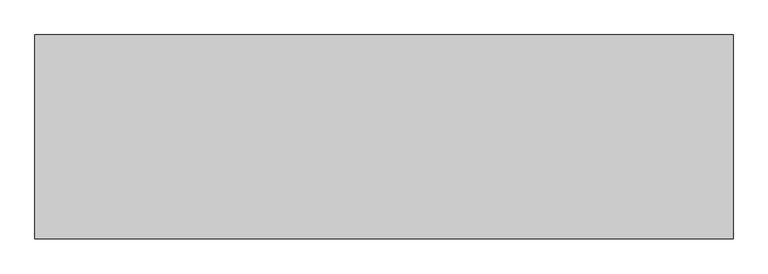
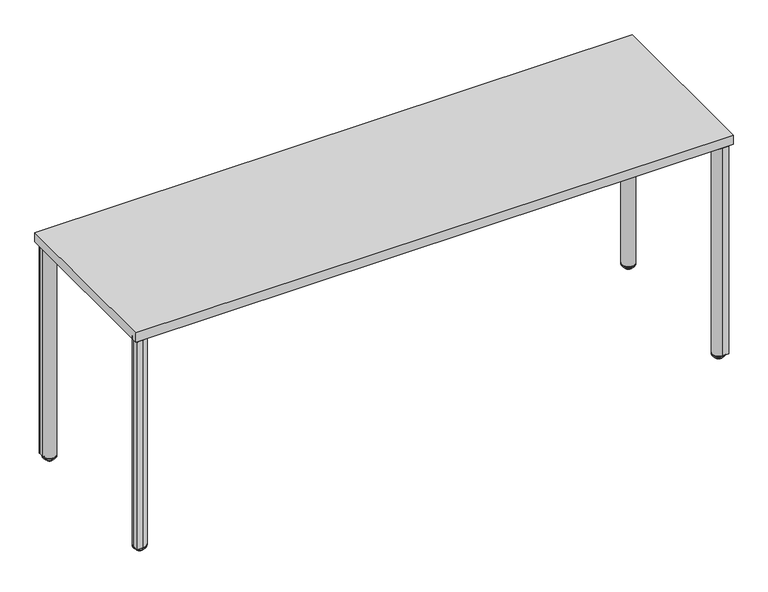
"""IFC4 building model written with IfcOpenShell, lengths in millimetres: furniture geometry."""

from ifc_helpers import new_model, si_unit, point, frame, frame_2d, origin, place, context, project, spatial, polyline, circle_curve, ellipse_curve, trimmed, segment, composite_curve, outline, extrude, source, transform, mapped, element, save
from ifc_brep_helpers import plane_surface, cylinder_surface, revolved_surface, advanced_brep


def furniture_3ee4077c(model_context):
    return source(origin(), model_context, "Body", "SolidModel", [
        extrude(outline(composite_curve([segment(polyline([(1682.556847, -479.9277503), (1675.9453628, -404.358219)]), True, "CONTINUOUS"), segment(trimmed(circle_curve(frame_2d((1694.9228716, -402.6979004)), 19.05), [point((1675.9453628, -404.358219))], [point((1696.5831903, -383.7203915))], False, "CARTESIAN"), True, "CONTINUOUS"), segment(polyline([(1696.5831903, -383.7203915), (1774.2735089, -390.5174208)]), True, "CONTINUOUS"), segment(trimmed(circle_curve(frame_2d((1772.3818948, -412.1386457)), 21.7038146), [point((1774.2735089, -390.5174208))], [point((1787.7288082, -396.7917301))], False, "CARTESIAN"), True, "CONTINUOUS"), segment(polyline([(1787.7288082, -396.7917301), (1803.3562804, -412.4192001)]), True, "CONTINUOUS"), segment(trimmed(circle_curve(frame_2d((1782.3913512, -433.3841324)), 29.6488894), [point((1803.3562804, -412.4192001))], [point((1811.9274176, -430.8000615))], False, "CARTESIAN"), True, "CONTINUOUS"), segment(polyline([(1811.9274176, -430.8000615), (1818.3747885, -504.493852), (1818.3747885, -522.7148941)]), True, "CONTINUOUS"), segment(trimmed(circle_curve(frame_2d((1814.9398642, -522.7148941)), 3.4349243), [point((1818.3747885, -522.7148941))], [point((1814.9398642, -526.1498184))], False, "CARTESIAN"), True, "CONTINUOUS"), segment(polyline([(1814.9398642, -526.1498184), (1796.7188297, -526.1498184), (1723.7868621, -519.7690978)]), True, "CONTINUOUS"), segment(trimmed(circle_curve(frame_2d((1726.554057, -488.1399162)), 31.75), [point((1723.7868621, -519.7690978))], [point((1704.1034135, -510.5905533))], False, "CARTESIAN"), True, "CONTINUOUS"), segment(polyline([(1704.1034135, -510.5905533), (1690.5220514, -497.0091873)]), True, "CONTINUOUS"), segment(trimmed(circle_curve(frame_2d((1710.0048889, -477.5263553)), 27.5528892), [point((1690.5220514, -497.0091873))], [point((1682.556847, -479.9277503))], False, "CARTESIAN"), True, "CONTINUOUS")], self_intersect=False)), frame((0.0, 0.0, 686.384194), z_axis=(0.0, 0.0, 1.0), x_axis=(1.0, 0.0, 0.0)), (0.0, 0.0, 1.0), 7.924807),
        extrude(outline(composite_curve([segment(trimmed(circle_curve(frame_2d((115.624494, -477.5263553)), 27.5528892), [point((143.0725359, -479.9277503))], [point((135.1073315, -497.0091873))], False, "CARTESIAN"), True, "CONTINUOUS"), segment(polyline([(135.1073315, -497.0091873), (121.5259694, -510.5905533)]), True, "CONTINUOUS"), segment(trimmed(circle_curve(frame_2d((99.0753259, -488.1399162)), 31.75), [point((121.5259694, -510.5905533))], [point((101.8425208, -519.7690978))], False, "CARTESIAN"), True, "CONTINUOUS"), segment(polyline([(101.8425208, -519.7690978), (28.9105532, -526.1498184), (10.6895187, -526.1498184)]), True, "CONTINUOUS"), segment(trimmed(circle_curve(frame_2d((10.6895187, -522.7148941)), 3.4349243), [point((10.6895187, -526.1498184))], [point((7.2545944, -522.7148941))], False, "CARTESIAN"), True, "CONTINUOUS"), segment(polyline([(7.2545944, -522.7148941), (7.2545944, -504.493852), (13.7019653, -430.8000615)]), True, "CONTINUOUS"), segment(trimmed(circle_curve(frame_2d((43.2380317, -433.3841324)), 29.6488894), [point((13.7019653, -430.8000615))], [point((22.2731025, -412.4192001))], False, "CARTESIAN"), True, "CONTINUOUS"), segment(polyline([(22.2731025, -412.4192001), (37.9005747, -396.7917301)]), True, "CONTINUOUS"), segment(trimmed(circle_curve(frame_2d((53.2474881, -412.1386457)), 21.7038146), [point((37.9005747, -396.7917301))], [point((51.355874, -390.5174208))], False, "CARTESIAN"), True, "CONTINUOUS"), segment(polyline([(51.355874, -390.5174208), (129.0461926, -383.7203915)]), True, "CONTINUOUS"), segment(trimmed(circle_curve(frame_2d((130.7065113, -402.6979004)), 19.05), [point((129.0461926, -383.7203915))], [point((149.6840201, -404.358219))], False, "CARTESIAN"), True, "CONTINUOUS"), segment(polyline([(149.6840201, -404.358219), (143.0725359, -479.9277503)]), True, "CONTINUOUS")], self_intersect=False)), frame((0.0, 0.0, 686.384194), z_axis=(0.0, 0.0, 1.0), x_axis=(1.0, 0.0, 0.0)), (0.0, 0.0, 1.0), 7.924807),
        extrude(outline(composite_curve([segment(trimmed(circle_curve(frame_2d((1710.0048889, -55.8736689)), 27.5528892), [point((1682.556847, -53.4722739))], [point((1690.5220514, -36.3908369))], False, "CARTESIAN"), True, "CONTINUOUS"), segment(polyline([(1690.5220514, -36.3908369), (1704.1034135, -22.8094709)]), True, "CONTINUOUS"), segment(trimmed(circle_curve(frame_2d((1726.554057, -45.260108)), 31.75), [point((1704.1034135, -22.8094709))], [point((1723.7868621, -13.6309264))], False, "CARTESIAN"), True, "CONTINUOUS"), segment(polyline([(1723.7868621, -13.6309264), (1796.7188297, -7.2502058), (1814.9398642, -7.2502058)]), True, "CONTINUOUS"), segment(trimmed(circle_curve(frame_2d((1814.9398642, -10.6851301)), 3.4349243), [point((1814.9398642, -7.2502058))], [point((1818.3747885, -10.6851301))], False, "CARTESIAN"), True, "CONTINUOUS"), segment(polyline([(1818.3747885, -10.6851301), (1818.3747885, -28.9061722), (1811.9274176, -102.5999627)]), True, "CONTINUOUS"), segment(trimmed(circle_curve(frame_2d((1782.3913512, -100.0158919)), 29.6488894), [point((1811.9274176, -102.5999627))], [point((1803.3562804, -120.9808241))], False, "CARTESIAN"), True, "CONTINUOUS"), segment(polyline([(1803.3562804, -120.9808241), (1787.7288082, -136.6082941)]), True, "CONTINUOUS"), segment(trimmed(circle_curve(frame_2d((1772.3818948, -121.2613785)), 21.7038146), [point((1787.7288082, -136.6082941))], [point((1774.2735089, -142.8826034))], False, "CARTESIAN"), True, "CONTINUOUS"), segment(polyline([(1774.2735089, -142.8826034), (1696.5831903, -149.6796327)]), True, "CONTINUOUS"), segment(trimmed(circle_curve(frame_2d((1694.9228716, -130.7021238)), 19.05), [point((1696.5831903, -149.6796327))], [point((1675.9453628, -129.0418052))], False, "CARTESIAN"), True, "CONTINUOUS"), segment(polyline([(1675.9453628, -129.0418052), (1682.556847, -53.4722739)]), True, "CONTINUOUS")], self_intersect=False)), frame((0.0, 0.0, 686.384194), z_axis=(0.0, 0.0, 1.0), x_axis=(1.0, 0.0, 0.0)), (0.0, 0.0, 1.0), 7.924807),
        extrude(outline(composite_curve([segment(polyline([(143.0725359, -53.4722739), (149.6840201, -129.0418052)]), True, "CONTINUOUS"), segment(trimmed(circle_curve(frame_2d((130.7065113, -130.7021238)), 19.05), [point((149.6840201, -129.0418052))], [point((129.0461926, -149.6796327))], False, "CARTESIAN"), True, "CONTINUOUS"), segment(polyline([(129.0461926, -149.6796327), (51.355874, -142.8826034)]), True, "CONTINUOUS"), segment(trimmed(circle_curve(frame_2d((53.2474881, -121.2613785)), 21.7038146), [point((51.355874, -142.8826034))], [point((37.9005747, -136.6082941))], False, "CARTESIAN"), True, "CONTINUOUS"), segment(polyline([(37.9005747, -136.6082941), (22.2731025, -120.9808241)]), True, "CONTINUOUS"), segment(trimmed(circle_curve(frame_2d((43.2380317, -100.0158919)), 29.6488894), [point((22.2731025, -120.9808241))], [point((13.7019653, -102.5999627))], False, "CARTESIAN"), True, "CONTINUOUS"), segment(polyline([(13.7019653, -102.5999627), (7.2545944, -28.9061722), (7.2545944, -10.6851301)]), True, "CONTINUOUS"), segment(trimmed(circle_curve(frame_2d((10.6895187, -10.6851301)), 3.4349243), [point((7.2545944, -10.6851301))], [point((10.6895187, -7.2502058))], False, "CARTESIAN"), True, "CONTINUOUS"), segment(polyline([(10.6895187, -7.2502058), (28.9105532, -7.2502058), (101.8425208, -13.6309264)]), True, "CONTINUOUS"), segment(trimmed(circle_curve(frame_2d((99.0753259, -45.260108)), 31.75), [point((101.8425208, -13.6309264))], [point((121.5259694, -22.8094709))], False, "CARTESIAN"), True, "CONTINUOUS"), segment(polyline([(121.5259694, -22.8094709), (135.1073315, -36.3908369)]), True, "CONTINUOUS"), segment(trimmed(circle_curve(frame_2d((115.624494, -55.8736689)), 27.5528892), [point((135.1073315, -36.3908369))], [point((143.0725359, -53.4722739))], False, "CARTESIAN"), True, "CONTINUOUS")], self_intersect=False)), frame((0.0, 0.0, 686.384194), z_axis=(0.0, 0.0, 1.0), x_axis=(1.0, 0.0, 0.0)), (0.0, 0.0, 1.0), 7.924807),
        extrude(outline(composite_curve([segment(trimmed(circle_curve(frame_2d((-246.152939, 691.6465284)), 2.6624725), [point((-248.7754655, 692.1060009))], [point((-246.152939, 694.309001))], False, "CARTESIAN"), True, "CONTINUOUS"), segment(polyline([(-246.152939, 694.309001), (-232.4891103, 694.309001), (-232.4891103, 693.0949036), (-246.277448, 693.0949036)]), True, "CONTINUOUS"), segment(trimmed(circle_curve(frame_2d((-246.277448, 691.7947593)), 1.3001443), [point((-246.277448, 693.0949036))], [point((-247.558086, 692.0191281))], True, "CARTESIAN"), True, "CONTINUOUS"), segment(polyline([(-247.558086, 692.0191281), (-252.0117041, 666.5990458)]), True, "CONTINUOUS"), segment(trimmed(circle_curve(frame_2d((-258.2664342, 667.6948793)), 6.35), [point((-252.0117041, 666.5990458))], [point((-258.2664342, 661.3448793))], False, "CARTESIAN"), True, "CONTINUOUS"), segment(polyline([(-258.2664342, 661.3448793), (-274.8021205, 661.3448793)]), True, "CONTINUOUS"), segment(trimmed(circle_curve(frame_2d((-274.8021205, 667.9754958)), 6.6306164), [point((-274.8021205, 661.3448793))], [point((-281.3332585, 666.8312447))], False, "CARTESIAN"), True, "CONTINUOUS"), segment(polyline([(-281.3332585, 666.8312447), (-285.7344623, 691.9523647)]), True, "CONTINUOUS"), segment(trimmed(circle_curve(frame_2d((-287.0945757, 691.7140737)), 1.3808298), [point((-285.7344623, 691.9523647))], [point((-287.0945757, 693.0949036))], True, "CARTESIAN"), True, "CONTINUOUS"), segment(polyline([(-287.0945757, 693.0949036), (-300.8151108, 693.0949036), (-300.8151108, 694.309001), (-287.0838856, 694.309001)]), True, "CONTINUOUS"), segment(trimmed(circle_curve(frame_2d((-287.0838856, 691.7267885)), 2.5822125), [point((-287.0838856, 694.309001))], [point((-284.5404138, 692.1724031))], False, "CARTESIAN"), True, "CONTINUOUS"), segment(polyline([(-284.5404138, 692.1724031), (-280.1677596, 667.2142384)]), True, "CONTINUOUS"), segment(trimmed(circle_curve(frame_2d((-274.6259929, 668.1851523)), 5.6261756), [point((-280.1677596, 667.2142384))], [point((-274.6259929, 662.5589767))], True, "CARTESIAN"), True, "CONTINUOUS"), segment(polyline([(-274.6259929, 662.5589767), (-258.5188108, 662.5589767)]), True, "CONTINUOUS"), segment(trimmed(circle_curve(frame_2d((-258.5188108, 667.9952626)), 5.4362859), [point((-258.5188108, 662.5589767))], [point((-253.1640875, 667.0571033))], True, "CARTESIAN"), True, "CONTINUOUS"), segment(polyline([(-253.1640875, 667.0571033), (-248.7754655, 692.1060009)]), True, "CONTINUOUS")], self_intersect=False)), frame((190.5601963, 0.0, 0.0), z_axis=(1.0, 0.0, 0.0), x_axis=(0.0, 1.0, 0.0)), (0.0, 0.0, 1.0), 1443.6123182),
        advanced_brep(
        [(1797.6248196, -485.4197975, 12.8144714), (1797.6248196, -525.3711213, 12.8144714), (1797.6248196, -520.426826, 7.8701761), (1797.6248196, -490.3640928, 7.8701761), (1797.6248196, -519.4011418, 7.8701761), (1797.6248196, -491.389777, 7.8701761), (1797.6248196, -519.4011418, 7.0593297), (1797.6248196, -491.389777, 7.0593297), (1797.6248196, -517.5595987, 2.623811), (1797.6248196, -493.23132, 2.623811), (1797.6248196, -515.1818837, 0.2460959), (1797.6248196, -495.6090351, 0.2460959), (1797.6248196, -514.2634411, 0.0), (1797.6248196, -496.5274776, 0.0), (1797.6248196, -505.3954594, 0.0), (1797.6248196, -505.3954594, 15.24), (1797.6248196, -525.3711213, 15.24), (1797.6248196, -485.4197975, 15.24)],
        [
            (0, 1, circle_curve(frame((1797.6248196, -505.3954594, 12.8144714), z_axis=(0.0, 0.0, -1.0), x_axis=(0.0, -1.0, 0.0)), 19.9756619)),
            (1, 2, circle_curve(frame((1797.6248196, -520.426826, 12.8144714), z_axis=(1.0, 0.0, 0.0), x_axis=(0.0, 1.0, 0.0)), 4.9442953)),
            (2, 3, circle_curve(frame((1797.6248196, -505.3954594, 7.8701761), z_axis=(0.0, 0.0, 1.0), x_axis=(0.0, -1.0, 0.0)), 15.0313666)),
            (3, 0, circle_curve(frame((1797.6248196, -490.3640928, 12.8144714), z_axis=(1.0, 0.0, 0.0), x_axis=(0.0, -1.0, 0.0)), 4.9442953)),
            (1, 0, circle_curve(frame((1797.6248196, -505.3954594, 12.8144714), z_axis=(0.0, 0.0, -1.0), x_axis=(0.0, -1.0, 0.0)), 19.9756619)),
            (3, 2, circle_curve(frame((1797.6248196, -505.3954594, 7.8701761), z_axis=(0.0, 0.0, 1.0), x_axis=(0.0, -1.0, 0.0)), 15.0313666)),
            (2, 4),
            (4, 5, circle_curve(frame((1797.6248196, -505.3954594, 7.8701761), z_axis=(0.0, 0.0, 1.0), x_axis=(0.0, -1.0, 0.0)), 14.0056824)),
            (5, 3),
            (5, 4, circle_curve(frame((1797.6248196, -505.3954594, 7.8701761), z_axis=(0.0, 0.0, 1.0), x_axis=(0.0, -1.0, 0.0)), 14.0056824)),
            (4, 6),
            (6, 7, circle_curve(frame((1797.6248196, -505.3954594, 7.0593297), z_axis=(0.0, 0.0, 1.0), x_axis=(0.0, -1.0, 0.0)), 14.0056824)),
            (7, 5),
            (7, 6, circle_curve(frame((1797.6248196, -505.3954594, 7.0593297), z_axis=(0.0, 0.0, 1.0), x_axis=(0.0, -1.0, 0.0)), 14.0056824)),
            (6, 8),
            (8, 9, circle_curve(frame((1797.6248196, -505.3954594, 2.623811), z_axis=(0.0, 0.0, 1.0), x_axis=(0.0, -1.0, 0.0)), 12.1641393)),
            (9, 7),
            (9, 8, circle_curve(frame((1797.6248196, -505.3954594, 2.623811), z_axis=(0.0, 0.0, 1.0), x_axis=(0.0, -1.0, 0.0)), 12.1641393)),
            (8, 10),
            (10, 11, circle_curve(frame((1797.6248196, -505.3954594, 0.2460959), z_axis=(0.0, 0.0, 1.0), x_axis=(0.0, -1.0, 0.0)), 9.7864243)),
            (11, 9),
            (11, 10, circle_curve(frame((1797.6248196, -505.3954594, 0.2460959), z_axis=(0.0, 0.0, 1.0), x_axis=(0.0, -1.0, 0.0)), 9.7864243)),
            (10, 12),
            (12, 13, circle_curve(frame((1797.6248196, -505.3954594, 0.0), z_axis=(0.0, 0.0, 1.0), x_axis=(0.0, -1.0, 0.0)), 8.8679818)),
            (13, 11),
            (13, 12, circle_curve(frame((1797.6248196, -505.3954594, 0.0), z_axis=(0.0, 0.0, 1.0), x_axis=(0.0, -1.0, 0.0)), 8.8679818)),
            (12, 14),
            (14, 13),
            (15, 16),
            (16, 17, circle_curve(frame((1797.6248196, -505.3954594, 15.24), z_axis=(0.0, 0.0, 1.0), x_axis=(0.0, -1.0, 0.0)), 19.9756619)),
            (17, 15),
            (17, 16, circle_curve(frame((1797.6248196, -505.3954594, 15.24), z_axis=(0.0, 0.0, 1.0), x_axis=(0.0, -1.0, 0.0)), 19.9756619)),
            (16, 1),
            (0, 17),
        ],
        [
            revolved_surface(trimmed(ellipse_curve(frame((1797.6248196, -520.426826, 12.8144714), z_axis=(-1.0, 0.0, 0.0), x_axis=(0.0, 1.0, 0.0)), 4.9442953, 4.9442953), [point((1797.6248196, -520.426826, 7.8701761))], [point((1797.6248196, -525.3711213, 12.8144714))], True, "CARTESIAN"), (1797.6248196, -505.3954594, 40.64), (0.0, 0.0, 1.0)),
            plane_surface(frame((1797.6248196, -505.3954594, 7.8701761), z_axis=(0.0, 0.0, -1.0), x_axis=(0.0, -1.0, 0.0))),
            cylinder_surface(frame((1797.6248196, -505.3954594, 40.64), z_axis=(0.0, 0.0, 1.0), x_axis=(0.0, -1.0, 0.0)), 14.0056824),
            revolved_surface(polyline([(1797.6248196, -517.5595987, 2.623811), (1797.6248196, -519.4011418, 7.0593297)]), (1797.6248196, -505.3954594, 40.64), (0.0, 0.0, 1.0)),
            revolved_surface(polyline([(1797.6248196, -515.1818837, 0.2460959), (1797.6248196, -517.5595987, 2.623811)]), (1797.6248196, -505.3954594, 40.64), (0.0, 0.0, 1.0)),
            revolved_surface(polyline([(1797.6248196, -514.2634411, 0.0), (1797.6248196, -515.1818837, 0.2460959)]), (1797.6248196, -505.3954594, 40.64), (0.0, 0.0, 1.0)),
            plane_surface(frame((1797.6248196, -505.3954594, 0.0), z_axis=(0.0, 0.0, -1.0), x_axis=(0.0, -1.0, 0.0))),
            plane_surface(frame((1797.6248196, -505.3954594, 15.24), z_axis=(0.0, 0.0, 1.0), x_axis=(0.0, -1.0, 0.0))),
            cylinder_surface(frame((1797.6248196, -505.3954594, 40.64), z_axis=(0.0, 0.0, 1.0), x_axis=(0.0, -1.0, 0.0)), 19.9756619),
        ],
        [
            (0, [[1, 2, 3, 4]]),
            (0, [[5, -4, 6, -2]]),
            (1, [[-3, 7, 8, 9]]),
            (1, [[-6, -9, 10, -7]]),
            (2, [[-8, 11, 12, 13]]),
            (2, [[-10, -13, 14, -11]]),
            (3, [[-12, 15, 16, 17]]),
            (3, [[-14, -17, 18, -15]]),
            (4, [[-16, 19, 20, 21]]),
            (4, [[-18, -21, 22, -19]]),
            (5, [[-20, 23, 24, 25]]),
            (5, [[-22, -25, 26, -23]]),
            (6, [[-24, 27, 28]]),
            (6, [[-26, -28, -27]]),
            (7, [[29, 30, 31]]),
            (7, [[-31, 32, -29]]),
            (8, [[-30, 33, -1, 34]]),
            (8, [[-32, -34, -5, -33]]),
        ],
    ),
        advanced_brep(
        [(27.9796875, -490.3640928, 7.8701761), (27.9796875, -520.426826, 7.8701761), (27.9796875, -525.3711213, 12.8144714), (27.9796875, -485.4197975, 12.8144714), (27.9796875, -491.389777, 7.8701761), (27.9796875, -519.4011418, 7.8701761), (27.9796875, -491.389777, 7.0593297), (27.9796875, -519.4011418, 7.0593297), (27.9796875, -493.23132, 2.623811), (27.9796875, -517.5595987, 2.623811), (27.9796875, -495.6090351, 0.2460959), (27.9796875, -515.1818837, 0.2460959), (27.9796875, -496.5274776, 0.0), (27.9796875, -514.2634411, 0.0), (27.9796875, -505.3954594, 0.0), (27.9796875, -485.4197975, 15.24), (27.9796875, -525.3711213, 15.24), (27.9796875, -505.3954594, 15.24)],
        [
            (0, 1, circle_curve(frame((27.9796875, -505.3954594, 7.8701761), z_axis=(0.0, 0.0, 1.0), x_axis=(0.0, -1.0, 0.0)), 15.0313666)),
            (1, 2, circle_curve(frame((27.9796875, -520.426826, 12.8144714), z_axis=(-1.0, 0.0, 0.0), x_axis=(0.0, 1.0, 0.0)), 4.9442953)),
            (2, 3, circle_curve(frame((27.9796875, -505.3954594, 12.8144714), z_axis=(0.0, 0.0, -1.0), x_axis=(0.0, -1.0, 0.0)), 19.9756619)),
            (3, 0, circle_curve(frame((27.9796875, -490.3640928, 12.8144714), z_axis=(-1.0, 0.0, 0.0), x_axis=(0.0, -1.0, 0.0)), 4.9442953)),
            (1, 0, circle_curve(frame((27.9796875, -505.3954594, 7.8701761), z_axis=(0.0, 0.0, 1.0), x_axis=(0.0, -1.0, 0.0)), 15.0313666)),
            (3, 2, circle_curve(frame((27.9796875, -505.3954594, 12.8144714), z_axis=(0.0, 0.0, -1.0), x_axis=(0.0, -1.0, 0.0)), 19.9756619)),
            (4, 5, circle_curve(frame((27.9796875, -505.3954594, 7.8701761), z_axis=(0.0, 0.0, 1.0), x_axis=(0.0, -1.0, 0.0)), 14.0056824)),
            (5, 1),
            (0, 4),
            (5, 4, circle_curve(frame((27.9796875, -505.3954594, 7.8701761), z_axis=(0.0, 0.0, 1.0), x_axis=(0.0, -1.0, 0.0)), 14.0056824)),
            (6, 7, circle_curve(frame((27.9796875, -505.3954594, 7.0593297), z_axis=(0.0, 0.0, 1.0), x_axis=(0.0, -1.0, 0.0)), 14.0056824)),
            (7, 5),
            (4, 6),
            (7, 6, circle_curve(frame((27.9796875, -505.3954594, 7.0593297), z_axis=(0.0, 0.0, 1.0), x_axis=(0.0, -1.0, 0.0)), 14.0056824)),
            (8, 9, circle_curve(frame((27.9796875, -505.3954594, 2.623811), z_axis=(0.0, 0.0, 1.0), x_axis=(0.0, -1.0, 0.0)), 12.1641393)),
            (9, 7),
            (6, 8),
            (9, 8, circle_curve(frame((27.9796875, -505.3954594, 2.623811), z_axis=(0.0, 0.0, 1.0), x_axis=(0.0, -1.0, 0.0)), 12.1641393)),
            (10, 11, circle_curve(frame((27.9796875, -505.3954594, 0.2460959), z_axis=(0.0, 0.0, 1.0), x_axis=(0.0, -1.0, 0.0)), 9.7864243)),
            (11, 9),
            (8, 10),
            (11, 10, circle_curve(frame((27.9796875, -505.3954594, 0.2460959), z_axis=(0.0, 0.0, 1.0), x_axis=(0.0, -1.0, 0.0)), 9.7864243)),
            (12, 13, circle_curve(frame((27.9796875, -505.3954594, 0.0), z_axis=(0.0, 0.0, 1.0), x_axis=(0.0, -1.0, 0.0)), 8.8679818)),
            (13, 11),
            (10, 12),
            (13, 12, circle_curve(frame((27.9796875, -505.3954594, 0.0), z_axis=(0.0, 0.0, 1.0), x_axis=(0.0, -1.0, 0.0)), 8.8679818)),
            (14, 13),
            (12, 14),
            (15, 16, circle_curve(frame((27.9796875, -505.3954594, 15.24), z_axis=(0.0, 0.0, 1.0), x_axis=(0.0, -1.0, 0.0)), 19.9756619)),
            (16, 17),
            (17, 15),
            (16, 15, circle_curve(frame((27.9796875, -505.3954594, 15.24), z_axis=(0.0, 0.0, 1.0), x_axis=(0.0, -1.0, 0.0)), 19.9756619)),
            (2, 16),
            (15, 3),
        ],
        [
            revolved_surface(trimmed(ellipse_curve(frame((27.9796875, -520.426826, 12.8144714), z_axis=(1.0, 0.0, 0.0), x_axis=(0.0, 1.0, 0.0)), 4.9442953, 4.9442953), [point((27.9796875, -525.3711213, 12.8144714))], [point((27.9796875, -520.426826, 7.8701761))], True, "CARTESIAN"), (27.9796875, -505.3954594, 40.64), (0.0, 0.0, -1.0)),
            plane_surface(frame((27.9796875, -505.3954594, 7.8701761), z_axis=(0.0, 0.0, -1.0), x_axis=(0.0, -1.0, 0.0))),
            cylinder_surface(frame((27.9796875, -505.3954594, 40.64), z_axis=(0.0, 0.0, -1.0), x_axis=(0.0, -1.0, 0.0)), 14.0056824),
            revolved_surface(polyline([(27.9796875, -519.4011418, 7.0593297), (27.9796875, -517.5595987, 2.623811)]), (27.9796875, -505.3954594, 40.64), (0.0, 0.0, -1.0)),
            revolved_surface(polyline([(27.9796875, -517.5595987, 2.623811), (27.9796875, -515.1818837, 0.2460959)]), (27.9796875, -505.3954594, 40.64), (0.0, 0.0, -1.0)),
            revolved_surface(polyline([(27.9796875, -515.1818837, 0.2460959), (27.9796875, -514.2634411, 0.0)]), (27.9796875, -505.3954594, 40.64), (0.0, 0.0, -1.0)),
            plane_surface(frame((27.9796875, -505.3954594, 0.0), z_axis=(0.0, 0.0, -1.0), x_axis=(0.0, -1.0, 0.0))),
            plane_surface(frame((27.9796875, -505.3954594, 15.24), z_axis=(0.0, 0.0, 1.0), x_axis=(0.0, -1.0, 0.0))),
            cylinder_surface(frame((27.9796875, -505.3954594, 40.64), z_axis=(0.0, 0.0, -1.0), x_axis=(0.0, -1.0, 0.0)), 19.9756619),
        ],
        [
            (0, [[1, 2, 3, 4]]),
            (0, [[5, -4, 6, -2]]),
            (1, [[7, 8, -1, 9]]),
            (1, [[10, -9, -5, -8]]),
            (2, [[11, 12, -7, 13]]),
            (2, [[14, -13, -10, -12]]),
            (3, [[15, 16, -11, 17]]),
            (3, [[18, -17, -14, -16]]),
            (4, [[19, 20, -15, 21]]),
            (4, [[22, -21, -18, -20]]),
            (5, [[23, 24, -19, 25]]),
            (5, [[26, -25, -22, -24]]),
            (6, [[27, -23, 28]]),
            (6, [[-28, -26, -27]]),
            (7, [[29, 30, 31]]),
            (7, [[32, -31, -30]]),
            (8, [[-3, 33, -29, 34]]),
            (8, [[-6, -34, -32, -33]]),
        ],
    ),
        advanced_brep(
        [(1777.6120316, -27.9300781, 12.7759073), (1817.6128195, -27.9300781, 12.7759073), (1812.7070883, -27.9300781, 7.8701761), (1782.5177628, -27.9300781, 7.8701761), (1811.6840629, -27.9300781, 7.8701761), (1783.5407882, -27.9300781, 7.8701761), (1811.6840629, -27.9300781, 7.0593297), (1783.5407882, -27.9300781, 7.0593297), (1809.8012969, -27.9300781, 2.623811), (1785.4235542, -27.9300781, 2.623811), (1807.4235819, -27.9300781, 0.2460959), (1787.8012692, -27.9300781, 0.2460959), (1806.5051393, -27.9300781, 0.0), (1788.7197118, -27.9300781, 0.0), (1797.6124255, -27.9300781, 0.0), (1797.6124255, -27.9300781, 15.24), (1817.6128195, -27.9300781, 15.24), (1777.6120316, -27.9300781, 15.24)],
        [
            (0, 1, circle_curve(frame((1797.6124255, -27.9300781, 12.7759073), z_axis=(0.0, 0.0, -1.0), x_axis=(1.0, 0.0, 0.0)), 20.0003939)),
            (1, 2, circle_curve(frame((1812.7070883, -27.9300781, 12.7759073), z_axis=(0.0, 1.0, 0.0), x_axis=(-1.0, 0.0, 0.0)), 4.9057312)),
            (2, 3, circle_curve(frame((1797.6124255, -27.9300781, 7.8701761), z_axis=(0.0, 0.0, 1.0), x_axis=(1.0, 0.0, 0.0)), 15.0946628)),
            (3, 0, circle_curve(frame((1782.5177628, -27.9300781, 12.7759073), z_axis=(0.0, 1.0, 0.0), x_axis=(1.0, 0.0, 0.0)), 4.9057312)),
            (1, 0, circle_curve(frame((1797.6124255, -27.9300781, 12.7759073), z_axis=(0.0, 0.0, -1.0), x_axis=(1.0, 0.0, 0.0)), 20.0003939)),
            (3, 2, circle_curve(frame((1797.6124255, -27.9300781, 7.8701761), z_axis=(0.0, 0.0, 1.0), x_axis=(1.0, 0.0, 0.0)), 15.0946628)),
            (2, 4),
            (4, 5, circle_curve(frame((1797.6124255, -27.9300781, 7.8701761), z_axis=(0.0, 0.0, 1.0), x_axis=(1.0, 0.0, 0.0)), 14.0716373)),
            (5, 3),
            (5, 4, circle_curve(frame((1797.6124255, -27.9300781, 7.8701761), z_axis=(0.0, 0.0, 1.0), x_axis=(1.0, 0.0, 0.0)), 14.0716373)),
            (4, 6),
            (6, 7, circle_curve(frame((1797.6124255, -27.9300781, 7.0593297), z_axis=(0.0, 0.0, 1.0), x_axis=(1.0, 0.0, 0.0)), 14.0716373)),
            (7, 5),
            (7, 6, circle_curve(frame((1797.6124255, -27.9300781, 7.0593297), z_axis=(0.0, 0.0, 1.0), x_axis=(1.0, 0.0, 0.0)), 14.0716373)),
            (6, 8),
            (8, 9, circle_curve(frame((1797.6124255, -27.9300781, 2.623811), z_axis=(0.0, 0.0, 1.0), x_axis=(1.0, 0.0, 0.0)), 12.1888713)),
            (9, 7),
            (9, 8, circle_curve(frame((1797.6124255, -27.9300781, 2.623811), z_axis=(0.0, 0.0, 1.0), x_axis=(1.0, 0.0, 0.0)), 12.1888713)),
            (8, 10),
            (10, 11, circle_curve(frame((1797.6124255, -27.9300781, 0.2460959), z_axis=(0.0, 0.0, 1.0), x_axis=(1.0, 0.0, 0.0)), 9.8111563)),
            (11, 9),
            (11, 10, circle_curve(frame((1797.6124255, -27.9300781, 0.2460959), z_axis=(0.0, 0.0, 1.0), x_axis=(1.0, 0.0, 0.0)), 9.8111563)),
            (10, 12),
            (12, 13, circle_curve(frame((1797.6124255, -27.9300781, 0.0), z_axis=(0.0, 0.0, 1.0), x_axis=(1.0, 0.0, 0.0)), 8.8927138)),
            (13, 11),
            (13, 12, circle_curve(frame((1797.6124255, -27.9300781, 0.0), z_axis=(0.0, 0.0, 1.0), x_axis=(1.0, 0.0, 0.0)), 8.8927138)),
            (12, 14),
            (14, 13),
            (15, 16),
            (16, 17, circle_curve(frame((1797.6124255, -27.9300781, 15.24), z_axis=(0.0, 0.0, 1.0), x_axis=(1.0, 0.0, 0.0)), 20.0003939)),
            (17, 15),
            (17, 16, circle_curve(frame((1797.6124255, -27.9300781, 15.24), z_axis=(0.0, 0.0, 1.0), x_axis=(1.0, 0.0, 0.0)), 20.0003939)),
            (16, 1),
            (0, 17),
        ],
        [
            revolved_surface(trimmed(ellipse_curve(frame((1812.7070883, -27.9300781, 12.7759073), z_axis=(0.0, -1.0, 0.0), x_axis=(-1.0, 0.0, 0.0)), 4.9057312, 4.9057312), [point((1812.7070883, -27.9300781, 7.8701761))], [point((1817.6128195, -27.9300781, 12.7759073))], True, "CARTESIAN"), (1797.6124255, -27.9300781, -11.2120944), (0.0, 0.0, 1.0)),
            plane_surface(frame((1797.6124255, -27.9300781, 7.8701761), z_axis=(0.0, 0.0, -1.0), x_axis=(1.0, 0.0, 0.0))),
            cylinder_surface(frame((1797.6124255, -27.9300781, -11.2120944), z_axis=(0.0, 0.0, 1.0), x_axis=(1.0, 0.0, 0.0)), 14.0716373),
            revolved_surface(polyline([(1809.8012969, -27.9300781, 2.623811), (1811.6840629, -27.9300781, 7.0593297)]), (1797.6124255, -27.9300781, -11.2120944), (0.0, 0.0, 1.0)),
            revolved_surface(polyline([(1807.4235819, -27.9300781, 0.2460959), (1809.8012969, -27.9300781, 2.623811)]), (1797.6124255, -27.9300781, -11.2120944), (0.0, 0.0, 1.0)),
            revolved_surface(polyline([(1806.5051393, -27.9300781, 0.0), (1807.4235819, -27.9300781, 0.2460959)]), (1797.6124255, -27.9300781, -11.2120944), (0.0, 0.0, 1.0)),
            plane_surface(frame((1797.6124255, -27.9300781, 0.0), z_axis=(0.0, 0.0, -1.0), x_axis=(1.0, 0.0, 0.0))),
            plane_surface(frame((1797.6124255, -27.9300781, 15.24), z_axis=(0.0, 0.0, 1.0), x_axis=(1.0, 0.0, 0.0))),
            cylinder_surface(frame((1797.6124255, -27.9300781, -11.2120944), z_axis=(0.0, 0.0, 1.0), x_axis=(1.0, 0.0, 0.0)), 20.0003939),
        ],
        [
            (0, [[1, 2, 3, 4]]),
            (0, [[5, -4, 6, -2]]),
            (1, [[-3, 7, 8, 9]]),
            (1, [[-6, -9, 10, -7]]),
            (2, [[-8, 11, 12, 13]]),
            (2, [[-10, -13, 14, -11]]),
            (3, [[-12, 15, 16, 17]]),
            (3, [[-14, -17, 18, -15]]),
            (4, [[-16, 19, 20, 21]]),
            (4, [[-18, -21, 22, -19]]),
            (5, [[-20, 23, 24, 25]]),
            (5, [[-22, -25, 26, -23]]),
            (6, [[-24, 27, 28]]),
            (6, [[-26, -28, -27]]),
            (7, [[29, 30, 31]]),
            (7, [[-31, 32, -29]]),
            (8, [[-30, 33, -1, 34]]),
            (8, [[-32, -34, -5, -33]]),
        ],
    ),
        advanced_brep(
        [(43.0948591, -27.9300781, 7.8701761), (12.9055336, -27.9300781, 7.8701761), (7.9998024, -27.9300781, 12.7759073), (48.0005903, -27.9300781, 12.7759073), (42.0718337, -27.9300781, 7.8701761), (13.928559, -27.9300781, 7.8701761), (42.0718337, -27.9300781, 7.0593297), (13.928559, -27.9300781, 7.0593297), (40.1890677, -27.9300781, 2.623811), (15.811325, -27.9300781, 2.623811), (37.8113526, -27.9300781, 0.2460959), (18.18904, -27.9300781, 0.2460959), (36.8929101, -27.9300781, 0.0), (19.1074826, -27.9300781, 0.0), (28.0001963, -27.9300781, 0.0), (48.0005903, -27.9300781, 15.24), (7.9998024, -27.9300781, 15.24), (28.0001963, -27.9300781, 15.24)],
        [
            (0, 1, circle_curve(frame((28.0001963, -27.9300781, 7.8701761), z_axis=(0.0, 0.0, 1.0), x_axis=(-1.0, 0.0, 0.0)), 15.0946628)),
            (1, 2, circle_curve(frame((12.9055336, -27.9300781, 12.7759073), z_axis=(0.0, 1.0, 0.0), x_axis=(1.0, 0.0, 0.0)), 4.9057312)),
            (2, 3, circle_curve(frame((28.0001963, -27.9300781, 12.7759073), z_axis=(0.0, 0.0, -1.0), x_axis=(-1.0, 0.0, 0.0)), 20.0003939)),
            (3, 0, circle_curve(frame((43.0948591, -27.9300781, 12.7759073), z_axis=(0.0, 1.0, 0.0), x_axis=(-1.0, 0.0, 0.0)), 4.9057312)),
            (1, 0, circle_curve(frame((28.0001963, -27.9300781, 7.8701761), z_axis=(0.0, 0.0, 1.0), x_axis=(-1.0, 0.0, 0.0)), 15.0946628)),
            (3, 2, circle_curve(frame((28.0001963, -27.9300781, 12.7759073), z_axis=(0.0, 0.0, -1.0), x_axis=(-1.0, 0.0, 0.0)), 20.0003939)),
            (4, 5, circle_curve(frame((28.0001963, -27.9300781, 7.8701761), z_axis=(0.0, 0.0, 1.0), x_axis=(-1.0, 0.0, 0.0)), 14.0716373)),
            (5, 1),
            (0, 4),
            (5, 4, circle_curve(frame((28.0001963, -27.9300781, 7.8701761), z_axis=(0.0, 0.0, 1.0), x_axis=(-1.0, 0.0, 0.0)), 14.0716373)),
            (6, 7, circle_curve(frame((28.0001963, -27.9300781, 7.0593297), z_axis=(0.0, 0.0, 1.0), x_axis=(-1.0, 0.0, 0.0)), 14.0716373)),
            (7, 5),
            (4, 6),
            (7, 6, circle_curve(frame((28.0001963, -27.9300781, 7.0593297), z_axis=(0.0, 0.0, 1.0), x_axis=(-1.0, 0.0, 0.0)), 14.0716373)),
            (8, 9, circle_curve(frame((28.0001963, -27.9300781, 2.623811), z_axis=(0.0, 0.0, 1.0), x_axis=(-1.0, 0.0, 0.0)), 12.1888713)),
            (9, 7),
            (6, 8),
            (9, 8, circle_curve(frame((28.0001963, -27.9300781, 2.623811), z_axis=(0.0, 0.0, 1.0), x_axis=(-1.0, 0.0, 0.0)), 12.1888713)),
            (10, 11, circle_curve(frame((28.0001963, -27.9300781, 0.2460959), z_axis=(0.0, 0.0, 1.0), x_axis=(-1.0, 0.0, 0.0)), 9.8111563)),
            (11, 9),
            (8, 10),
            (11, 10, circle_curve(frame((28.0001963, -27.9300781, 0.2460959), z_axis=(0.0, 0.0, 1.0), x_axis=(-1.0, 0.0, 0.0)), 9.8111563)),
            (12, 13, circle_curve(frame((28.0001963, -27.9300781, 0.0), z_axis=(0.0, 0.0, 1.0), x_axis=(-1.0, 0.0, 0.0)), 8.8927138)),
            (13, 11),
            (10, 12),
            (13, 12, circle_curve(frame((28.0001963, -27.9300781, 0.0), z_axis=(0.0, 0.0, 1.0), x_axis=(-1.0, 0.0, 0.0)), 8.8927138)),
            (14, 13),
            (12, 14),
            (15, 16, circle_curve(frame((28.0001963, -27.9300781, 15.24), z_axis=(0.0, 0.0, 1.0), x_axis=(-1.0, 0.0, 0.0)), 20.0003939)),
            (16, 17),
            (17, 15),
            (16, 15, circle_curve(frame((28.0001963, -27.9300781, 15.24), z_axis=(0.0, 0.0, 1.0), x_axis=(-1.0, 0.0, 0.0)), 20.0003939)),
            (2, 16),
            (15, 3),
        ],
        [
            revolved_surface(trimmed(ellipse_curve(frame((12.9055336, -27.9300781, 12.7759073), z_axis=(0.0, -1.0, 0.0), x_axis=(1.0, 0.0, 0.0)), 4.9057312, 4.9057312), [point((7.9998024, -27.9300781, 12.7759073))], [point((12.9055336, -27.9300781, 7.8701761))], True, "CARTESIAN"), (28.0001963, -27.9300781, -11.2120944), (0.0, 0.0, -1.0)),
            plane_surface(frame((28.0001963, -27.9300781, 7.8701761), z_axis=(0.0, 0.0, -1.0), x_axis=(-1.0, 0.0, 0.0))),
            cylinder_surface(frame((28.0001963, -27.9300781, -11.2120944), z_axis=(0.0, 0.0, -1.0), x_axis=(-1.0, 0.0, 0.0)), 14.0716373),
            revolved_surface(polyline([(13.928559, -27.9300781, 7.0593297), (15.811325, -27.9300781, 2.623811)]), (28.0001963, -27.9300781, -11.2120944), (0.0, 0.0, -1.0)),
            revolved_surface(polyline([(15.811325, -27.9300781, 2.623811), (18.18904, -27.9300781, 0.2460959)]), (28.0001963, -27.9300781, -11.2120944), (0.0, 0.0, -1.0)),
            revolved_surface(polyline([(18.18904, -27.9300781, 0.2460959), (19.1074826, -27.9300781, 0.0)]), (28.0001963, -27.9300781, -11.2120944), (0.0, 0.0, -1.0)),
            plane_surface(frame((28.0001963, -27.9300781, 0.0), z_axis=(0.0, 0.0, -1.0), x_axis=(-1.0, 0.0, 0.0))),
            plane_surface(frame((28.0001963, -27.9300781, 15.24), z_axis=(0.0, 0.0, 1.0), x_axis=(-1.0, 0.0, 0.0))),
            cylinder_surface(frame((28.0001963, -27.9300781, -11.2120944), z_axis=(0.0, 0.0, -1.0), x_axis=(-1.0, 0.0, 0.0)), 20.0003939),
        ],
        [
            (0, [[1, 2, 3, 4]]),
            (0, [[5, -4, 6, -2]]),
            (1, [[7, 8, -1, 9]]),
            (1, [[10, -9, -5, -8]]),
            (2, [[11, 12, -7, 13]]),
            (2, [[14, -13, -10, -12]]),
            (3, [[15, 16, -11, 17]]),
            (3, [[18, -17, -14, -16]]),
            (4, [[19, 20, -15, 21]]),
            (4, [[22, -21, -18, -20]]),
            (5, [[23, 24, -19, 25]]),
            (5, [[26, -25, -22, -24]]),
            (6, [[27, -23, 28]]),
            (6, [[-28, -26, -27]]),
            (7, [[29, 30, 31]]),
            (7, [[32, -31, -30]]),
            (8, [[-3, 33, -29, 34]]),
            (8, [[-6, -34, -32, -33]]),
        ],
    ),
        extrude(outline(composite_curve([segment(polyline([(28.0001963, -525.3344594), (8.0611963, -525.3344594), (8.0611963, -505.3954594)]), True, "CONTINUOUS"), segment(trimmed(circle_curve(frame_2d((28.0001963, -505.3954594)), 19.939), [point((8.0611963, -505.3954594))], [point((28.0001963, -525.3344594))], False, "CARTESIAN"), True, "CONTINUOUS")], self_intersect=False)), frame((0.0, 0.0, 15.24), z_axis=(0.0, 0.0, 1.0), x_axis=(1.0, 0.0, 0.0)), (0.0, 0.0, 1.0), 671.144194),
        extrude(outline(composite_curve([segment(trimmed(circle_curve(frame_2d((1797.6248196, -505.3954594)), 19.939), [point((1797.6248196, -525.3344594))], [point((1817.5638196, -505.3954594))], False, "CARTESIAN"), True, "CONTINUOUS"), segment(polyline([(1817.5638196, -505.3954594), (1817.5638196, -525.3344594), (1797.6248196, -525.3344594)]), True, "CONTINUOUS")], self_intersect=False)), frame((0.0, 0.0, 15.24), z_axis=(0.0, 0.0, 1.0), x_axis=(1.0, 0.0, 0.0)), (0.0, 0.0, 1.0), 671.144194),
        extrude(outline(composite_curve([segment(polyline([(1797.6248196, -8.0612031), (1814.9101131, -8.0612031)]), True, "CONTINUOUS"), segment(trimmed(circle_curve(frame_2d((1814.9101131, -10.7149096)), 2.6537064), [point((1814.9101131, -8.0612031))], [point((1817.5638196, -10.7149096))], False, "CARTESIAN"), True, "CONTINUOUS"), segment(polyline([(1817.5638196, -10.7149096), (1817.5638196, -28.0002031)]), True, "CONTINUOUS"), segment(trimmed(circle_curve(frame_2d((1797.6248196, -28.0002031)), 19.939), [point((1817.5638196, -28.0002031))], [point((1797.6248196, -8.0612031))], False, "CARTESIAN"), True, "CONTINUOUS")], self_intersect=False)), frame((0.0, 0.0, 15.24), z_axis=(0.0, 0.0, 1.0), x_axis=(1.0, 0.0, 0.0)), (0.0, 0.0, 1.0), 671.144194),
        extrude(outline(composite_curve([segment(trimmed(circle_curve(frame_2d((28.0001963, -28.0002031)), 19.939), [point((28.0001963, -8.0612031))], [point((8.0611963, -28.0002031))], False, "CARTESIAN"), True, "CONTINUOUS"), segment(polyline([(8.0611963, -28.0002031), (8.0611963, -10.8667119)]), True, "CONTINUOUS"), segment(trimmed(circle_curve(frame_2d((10.8667051, -10.8667119)), 2.8055087), [point((8.0611963, -10.8667119))], [point((10.8667051, -8.0612031))], False, "CARTESIAN"), True, "CONTINUOUS"), segment(polyline([(10.8667051, -8.0612031), (28.0001963, -8.0612031)]), True, "CONTINUOUS")], self_intersect=False)), frame((0.0, 0.0, 15.24), z_axis=(0.0, 0.0, 1.0), x_axis=(1.0, 0.0, 0.0)), (0.0, 0.0, 1.0), 671.144194),
        extrude(outline(polyline([(0.0, -533.4), (0.0, 0.0), (1825.625, 0.0), (1825.625, -533.4), (0.0, -533.4)])), frame((0.0, 0.0, 694.309001), z_axis=(0.0, 0.0, 1.0), x_axis=(1.0, 0.0, 0.0)), (0.0, 0.0, 1.0), 29.5899817),
    ])


if __name__ == "__main__":
    model = new_model("IFC4")
    model_context = context("Model", 3, world=origin())
    ifc_project = project(units=[si_unit("LENGTHUNIT", "METRE", prefix="MILLI")], contexts=[model_context])
    site = spatial("IfcSite", under=ifc_project)
    building = spatial("IfcBuilding", under=site)
    placement = place(None, origin())
    furniture_shape = furniture_3ee4077c(model_context)
    element("IfcFurniture", 1, at=placement, inside=building, context=model_context, shape_type="MappedRepresentation", body=[
        mapped(furniture_shape, transform((0.0, 0.0, 0.0), x_axis=(1.0, 0.0, 0.0), y_axis=(0.0, 1.0, 0.0), z_axis=(0.0, 0.0, 1.0))),
    ])
    save(model, "model.ifc")
